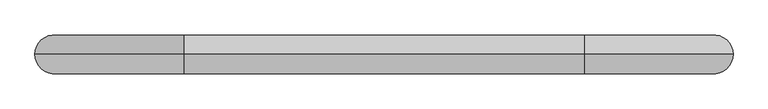
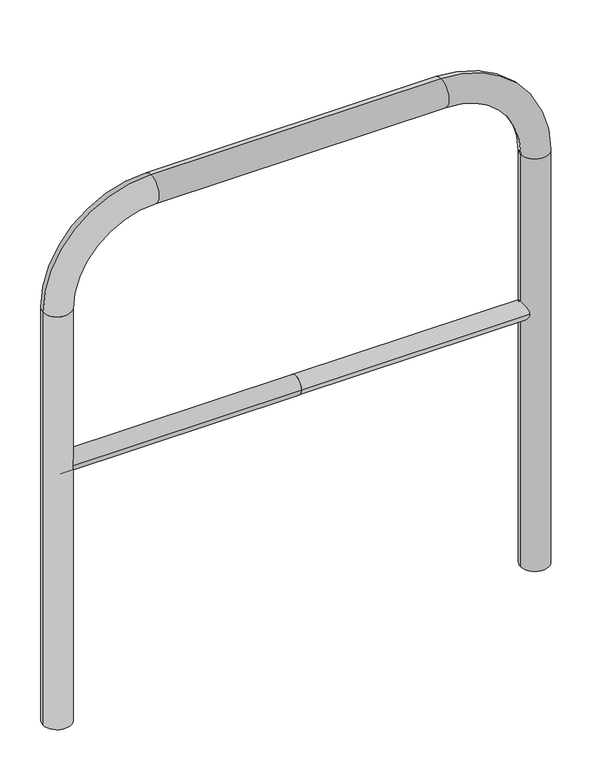
"""IFC4 building model written with IfcOpenShell, lengths in millimetres: proxy geometry."""

from ifc_helpers import new_model, si_unit, point, frame, frame_2d, origin, place, context, project, spatial, circle_curve, ellipse_curve, trimmed, segment, composite_curve, outline, extrude, source, transform, mapped, element, save
from ifc_brep_helpers import plane_surface, cylinder_surface, revolved_surface, advanced_brep


def generic_models_1efbad6e(model_context):
    return source(origin(), model_context, "Body", "SolidModel", [
        extrude(outline(composite_curve([segment(trimmed(circle_curve(frame_2d((0.0, 498.4778375)), 20.0), [point((-20.0, 498.4778375))], [point((20.0, 498.4778375))], False, "CARTESIAN"), True, "CONTINUOUS"), segment(trimmed(circle_curve(frame_2d((0.0, 498.4778375)), 20.0), [point((20.0, 498.4778375))], [point((-20.0, 498.4778375))], False, "CARTESIAN"), True, "CONTINUOUS")], self_intersect=False)), frame((-509.1002775, 0.0, 0.0), z_axis=(1.0, 0.0, 0.0), x_axis=(0.0, 1.0, 0.0)), (0.0, 0.0, 1.0), 509.1002775),
        extrude(outline(composite_curve([segment(trimmed(circle_curve(frame_2d((0.0, 498.4778375)), 20.0), [point((-20.0, 498.4778375))], [point((20.0, 498.4778375))], False, "CARTESIAN"), True, "CONTINUOUS"), segment(trimmed(circle_curve(frame_2d((0.0, 498.4778375)), 20.0), [point((20.0, 498.4778375))], [point((-20.0, 498.4778375))], False, "CARTESIAN"), True, "CONTINUOUS")], self_intersect=False)), frame((0.0, 0.0, 0.0), z_axis=(1.0, 0.0, 0.0), x_axis=(0.0, 1.0, 0.0)), (0.0, 0.0, 1.0), 509.1002775),
        advanced_brep(
        [(-479.1002775, 0.0, -80.0), (-539.1002775, 0.0, -80.0), (-479.1002775, 0.0, 850.0), (-539.1002775, 0.0, 850.0), (-309.1002775, 0.0, 1080.0), (-309.1002775, 0.0, 1020.0), (309.1002775, 0.0, 1020.0), (309.1002775, 0.0, 1080.0), (539.1002775, 0.0, 850.0), (479.1002775, 0.0, 850.0), (479.1002775, 0.0, -80.0), (539.1002775, 0.0, -80.0)],
        [
            (0, 1, circle_curve(frame((-509.1002775, 0.0, -80.0), z_axis=(0.0, 0.0, -1.0), x_axis=(-1.0, 0.0, 0.0)), 30.0)),
            (1, 0, circle_curve(frame((-509.1002775, 0.0, -80.0), z_axis=(0.0, 0.0, -1.0), x_axis=(-1.0, 0.0, 0.0)), 30.0)),
            (0, 2),
            (2, 3, circle_curve(frame((-509.1002775, 0.0, 850.0), z_axis=(0.0, 0.0, -1.0), x_axis=(-1.0, 0.0, 0.0)), 30.0)),
            (3, 1),
            (3, 2, circle_curve(frame((-509.1002775, 0.0, 850.0), z_axis=(0.0, 0.0, -1.0), x_axis=(-1.0, 0.0, 0.0)), 30.0)),
            (4, 3, circle_curve(frame((-309.1002775, 0.0, 850.0), z_axis=(0.0, -1.0, 0.0), x_axis=(-1.0, 0.0, 0.0)), 230.0)),
            (2, 5, circle_curve(frame((-309.1002775, 0.0, 850.0), z_axis=(0.0, 1.0, 0.0), x_axis=(-1.0, 0.0, 0.0)), 170.0)),
            (5, 4, circle_curve(frame((-309.1002775, 0.0, 1050.0), z_axis=(-1.0, 0.0, 0.0), x_axis=(0.0, 0.0, 1.0)), 30.0)),
            (4, 5, circle_curve(frame((-309.1002775, 0.0, 1050.0), z_axis=(-1.0, 0.0, 0.0), x_axis=(0.0, 0.0, 1.0)), 30.0)),
            (5, 6),
            (6, 7, circle_curve(frame((309.1002775, 0.0, 1050.0), z_axis=(-1.0, 0.0, 0.0), x_axis=(0.0, 0.0, 1.0)), 30.0)),
            (7, 4),
            (7, 6, circle_curve(frame((309.1002775, 0.0, 1050.0), z_axis=(-1.0, 0.0, 0.0), x_axis=(0.0, 0.0, 1.0)), 30.0)),
            (8, 7, circle_curve(frame((309.1002775, 0.0, 850.0), z_axis=(0.0, -1.0, 0.0), x_axis=(0.0, 0.0, 1.0)), 230.0)),
            (6, 9, circle_curve(frame((309.1002775, 0.0, 850.0), z_axis=(0.0, 1.0, 0.0), x_axis=(0.0, 0.0, 1.0)), 170.0)),
            (9, 8, circle_curve(frame((509.1002775, 0.0, 850.0), z_axis=(0.0, 0.0, 1.0), x_axis=(1.0, 0.0, 0.0)), 30.0)),
            (8, 9, circle_curve(frame((509.1002775, 0.0, 850.0), z_axis=(0.0, 0.0, 1.0), x_axis=(1.0, 0.0, 0.0)), 30.0)),
            (10, 11, circle_curve(frame((509.1002775, 0.0, -80.0), z_axis=(0.0, 0.0, -1.0), x_axis=(1.0, 0.0, 0.0)), 30.0)),
            (11, 10, circle_curve(frame((509.1002775, 0.0, -80.0), z_axis=(0.0, 0.0, -1.0), x_axis=(1.0, 0.0, 0.0)), 30.0)),
            (9, 10),
            (11, 8),
        ],
        [
            plane_surface(frame((-509.1002775, 0.0, -80.0), z_axis=(0.0, 0.0, -1.0), x_axis=(0.0, -1.0, 0.0))),
            cylinder_surface(frame((-509.1002775, 0.0, -80.0), z_axis=(0.0, 0.0, -1.0), x_axis=(-1.0, 0.0, 0.0)), 30.0),
            revolved_surface(trimmed(ellipse_curve(frame((-509.1002775, 0.0, 850.0), z_axis=(0.0, 0.0, -1.0), x_axis=(-1.0, 0.0, 0.0)), 30.0, 30.0), [point((-479.1002775, 0.0, 850.0))], [point((-539.1002775, 0.0, 850.0))], True, "CARTESIAN"), (-309.1002775, 0.0, 850.0), (0.0, 1.0, 0.0)),
            revolved_surface(trimmed(ellipse_curve(frame((-509.1002775, 0.0, 850.0), z_axis=(0.0, 0.0, -1.0), x_axis=(-1.0, 0.0, 0.0)), 30.0, 30.0), [point((-539.1002775, 0.0, 850.0))], [point((-479.1002775, 0.0, 850.0))], True, "CARTESIAN"), (-309.1002775, 0.0, 850.0), (0.0, 1.0, 0.0)),
            cylinder_surface(frame((-309.1002775, 0.0, 1050.0), z_axis=(-1.0, 0.0, 0.0), x_axis=(0.0, 0.0, 1.0)), 30.0),
            revolved_surface(trimmed(ellipse_curve(frame((309.1002775, 0.0, 1050.0), z_axis=(-1.0, 0.0, 0.0), x_axis=(0.0, 0.0, 1.0)), 30.0, 30.0), [point((309.1002775, 0.0, 1020.0))], [point((309.1002775, 0.0, 1080.0))], True, "CARTESIAN"), (309.1002775, 0.0, 850.0), (0.0, 1.0, 0.0)),
            revolved_surface(trimmed(ellipse_curve(frame((309.1002775, 0.0, 1050.0), z_axis=(-1.0, 0.0, 0.0), x_axis=(0.0, 0.0, 1.0)), 30.0, 30.0), [point((309.1002775, 0.0, 1080.0))], [point((309.1002775, 0.0, 1020.0))], True, "CARTESIAN"), (309.1002775, 0.0, 850.0), (0.0, 1.0, 0.0)),
            plane_surface(frame((509.1002775, 0.0, -80.0), z_axis=(0.0, 0.0, -1.0), x_axis=(0.0, -1.0, 0.0))),
            cylinder_surface(frame((509.1002775, 0.0, 850.0), z_axis=(0.0, 0.0, 1.0), x_axis=(1.0, 0.0, 0.0)), 30.0),
        ],
        [
            (0, [[1, 2]]),
            (1, [[-1, 3, 4, 5]]),
            (1, [[-2, -5, 6, -3]]),
            (2, [[7, -4, 8, 9]]),
            (3, [[-8, -6, -7, 10]]),
            (4, [[-9, 11, 12, 13]]),
            (4, [[-10, -13, 14, -11]]),
            (5, [[15, -12, 16, 17]]),
            (6, [[-16, -14, -15, 18]]),
            (7, [[19, 20]]),
            (8, [[-17, 21, -20, 22]]),
            (8, [[-18, -22, -19, -21]]),
        ],
    ),
    ])


if __name__ == "__main__":
    model = new_model("IFC4")
    model_context = context("Model", 3, world=origin())
    ifc_project = project(units=[si_unit("LENGTHUNIT", "METRE", prefix="MILLI")], contexts=[model_context])
    site = spatial("IfcSite", under=ifc_project)
    building = spatial("IfcBuilding", under=site)
    placement = place(None, origin())
    generic_models_shape = generic_models_1efbad6e(model_context)
    element("IfcBuildingElementProxy", 1, Name="Generic Models", at=placement, inside=building, context=model_context, shape_type="MappedRepresentation", body=[
        mapped(generic_models_shape, transform((0.0, 0.0, 0.0), x_axis=(1.0, 0.0, 0.0), y_axis=(0.0, 1.0, 0.0), z_axis=(0.0, 0.0, 1.0))),
    ])
    save(model, "model.ifc")
